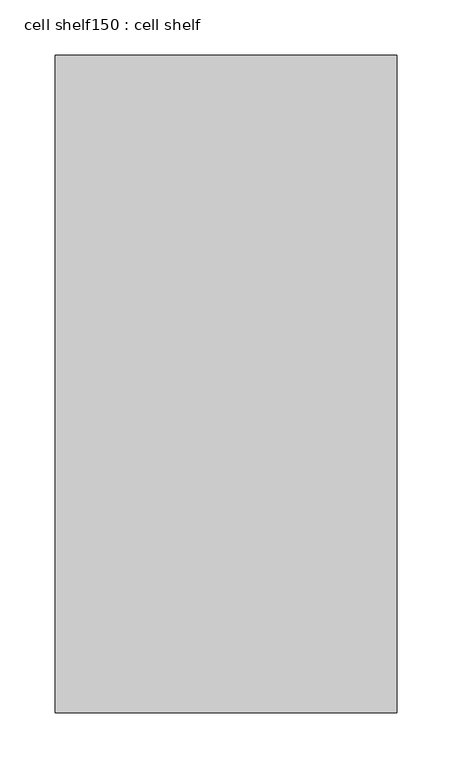
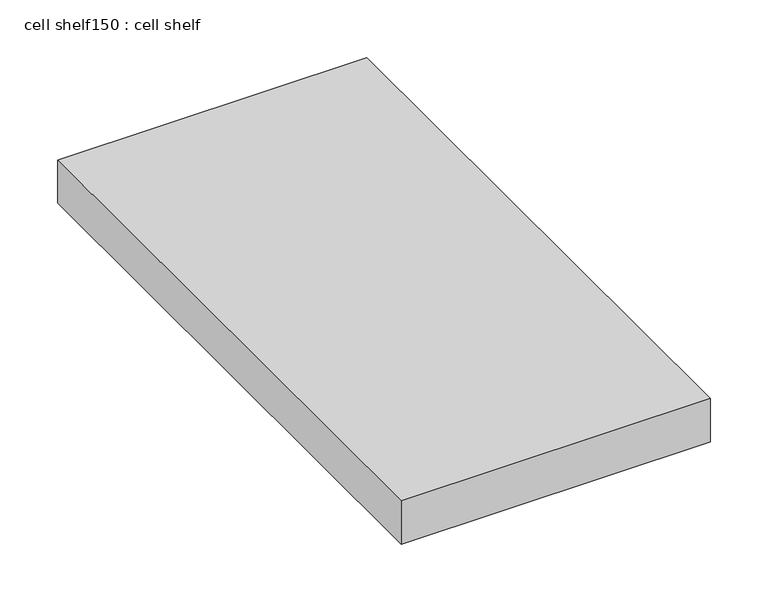
"""IFC4 building model written with IfcOpenShell, lengths in millimetres: proxy geometry, cell shelf150 : cell shelf."""

from ifc_helpers import new_model, si_unit, frame, origin, place, context, project, spatial, polyline, outline, extrude, source, transform, mapped, element, save


def cell_shelf150_cell_shelf_0365fef3(model_context):
    return source(origin(), model_context, "Body", "SweptSolid", [
        extrude(outline(polyline([(-124383.1782024, -72609.4792641), (-124383.1782024, -72014.3928685), (-124073.8304059, -72014.3928685), (-124073.8304059, -72609.4792641), (-124383.1782024, -72609.4792641)])), frame((0.0, 0.0, 1320.0941517), z_axis=(0.0, 0.0, 1.0), x_axis=(1.0, 0.0, 0.0)), (0.0, 0.0, 1.0), 45.8133004),
    ])


if __name__ == "__main__":
    model = new_model("IFC4")
    model_context = context("Model", 3, world=origin())
    ifc_project = project(units=[si_unit("LENGTHUNIT", "METRE", prefix="MILLI")], contexts=[model_context])
    site = spatial("IfcSite", under=ifc_project)
    building = spatial("IfcBuilding", under=site)
    placement = place(None, origin())
    cell_shelf150_cell_shelf_shape = cell_shelf150_cell_shelf_0365fef3(model_context)
    element("IfcBuildingElementProxy", 1, Name="cell shelf150 : cell shelf", ObjectType="cell shelf150 : cell shelf", at=placement, inside=building, context=model_context, shape_type="MappedRepresentation", body=[
        mapped(cell_shelf150_cell_shelf_shape, transform((0.0, 0.0, 0.0), x_axis=(1.0, 0.0, 0.0), y_axis=(0.0, 1.0, 0.0), z_axis=(0.0, 0.0, 1.0))),
    ])
    save(model, "model.ifc")
